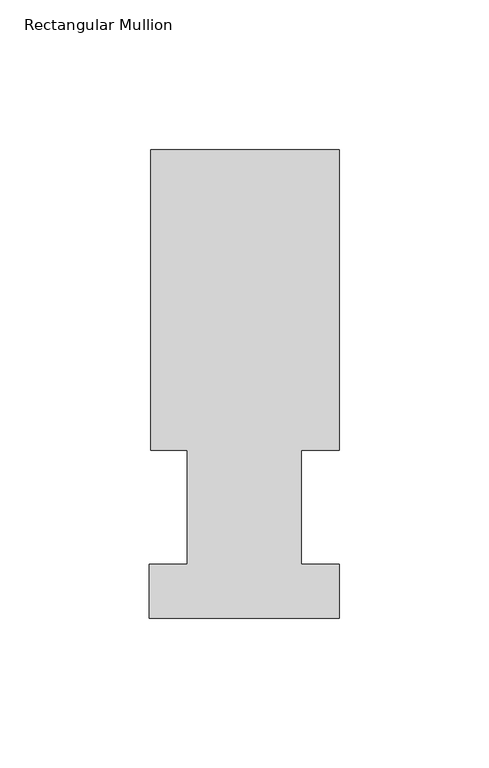
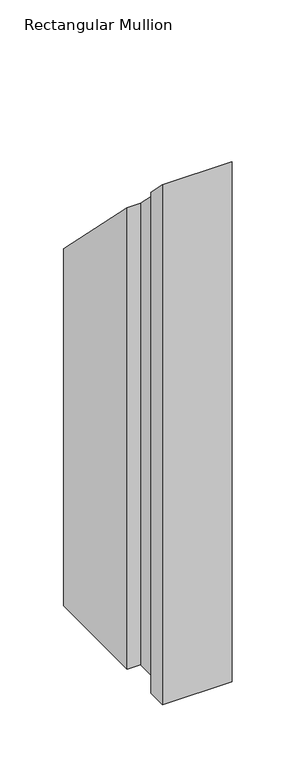
"""IFC4 building model written with IfcOpenShell, lengths in millimetres: member geometry, Rectangular Mullion."""

from ifc_helpers import new_model, si_unit, origin, place, context, project, spatial, faceted_brep, source, transform, mapped, element, save


def rectangular_mullion_aab9f0f6(model_context):
    return source(origin(), model_context, "Body", "Brep", [
        faceted_brep([(-63.0936, 56.6539062, -501.65), (-63.0936, 157.3395062, -501.65), (0.0, 157.3395062, -501.65), (0.0, 56.6539063, -501.65), (-12.6746, 56.6539062, -501.65), (-12.6746, 18.5539062, -501.65), (0.0, 18.5539062, -501.65), (0.0, 0.5199062, -501.65), (-63.5, 0.5199062, -501.65), (-63.5, 18.5539062, -501.65), (-50.8, 18.5539062, -501.65), (-50.8, 56.6539062, -501.65), (-50.8, 56.6539062, -56.6539062), (-63.0936, 56.6539062, -56.6539062), (-50.8, 18.5539062, -18.5539062), (-63.5, 18.5539062, -18.5539062), (-63.5, 0.5199062, -0.5199062), (0.0, 0.5199062, -0.5199062), (0.0, 18.5539062, -18.5539062), (-12.6746, 18.5539062, -18.5539062), (-12.6746, 56.6539062, -56.6539062), (0.0, 56.6539063, -56.6539062), (0.0, 157.3395062, -157.3395062), (-63.0936, 157.3395062, -157.3395062)], [[[0, 1, 2, 3, 4, 5, 6, 7, 8, 9, 10, 11]], [[12, 13, 0, 11]], [[14, 12, 11, 10]], [[15, 14, 10, 9]], [[16, 15, 9, 8]], [[17, 16, 8, 7]], [[18, 17, 7, 6]], [[19, 18, 6, 5]], [[20, 19, 5, 4]], [[21, 20, 4, 3]], [[22, 21, 3, 2]], [[23, 22, 2, 1]], [[13, 23, 1, 0]], [[13, 12, 14, 15, 16, 17, 18, 19, 20, 21, 22, 23]]]),
    ])


if __name__ == "__main__":
    model = new_model("IFC4")
    model_context = context("Model", 3, world=origin())
    ifc_project = project(units=[si_unit("LENGTHUNIT", "METRE", prefix="MILLI")], contexts=[model_context])
    site = spatial("IfcSite", under=ifc_project)
    building = spatial("IfcBuilding", under=site)
    placement = place(None, origin())
    rectangular_mullion_shape = rectangular_mullion_aab9f0f6(model_context)
    element("IfcMember", 1, ObjectType="Rectangular Mullion", at=placement, inside=building, context=model_context, shape_type="MappedRepresentation", body=[
        mapped(rectangular_mullion_shape, transform((0.0, 0.0, 0.0), x_axis=(1.0, 0.0, 0.0), y_axis=(0.0, 1.0, 0.0), z_axis=(0.0, 0.0, 1.0))),
    ])
    save(model, "model.ifc")
